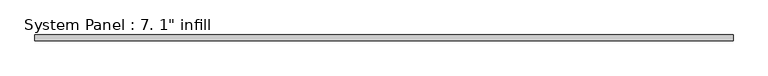
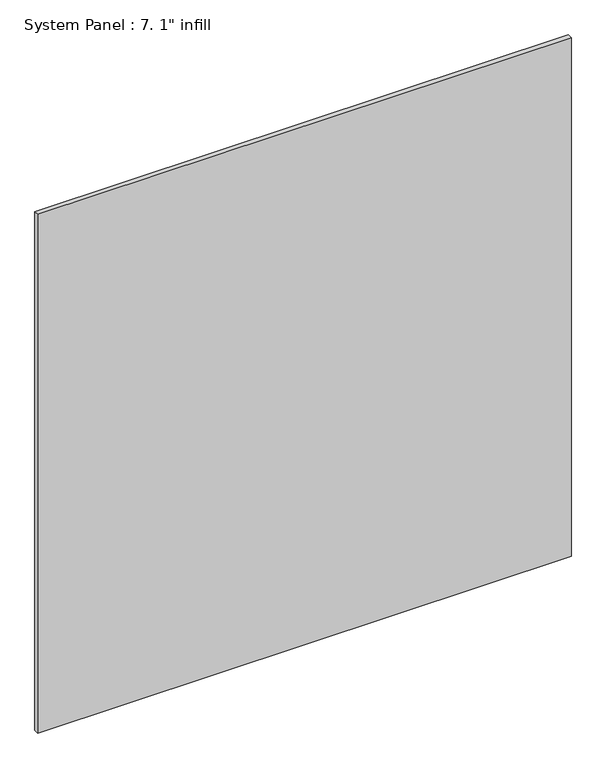
"""IFC4 building model written with IfcOpenShell, lengths in millimetres: plate geometry."""

from ifc_helpers import new_model, si_unit, origin, origin_with_axes, place, context, project, spatial, polyline, outline, extrude, source, transform, mapped, element, save


def plate_9707ac86(model_context):
    return source(origin(), model_context, "Body", "SweptSolid", [
        extrude(outline(polyline([(1483.8521893, -12.7), (-1483.8521893, -12.7), (-1483.8521893, 12.7), (1483.8521893, 12.7), (1483.8521893, -12.7)])), origin_with_axes(), (0.0, 0.0, 1.0), 3048.0),
    ])


if __name__ == "__main__":
    model = new_model("IFC4")
    model_context = context("Model", 3, world=origin())
    ifc_project = project(units=[si_unit("LENGTHUNIT", "METRE", prefix="MILLI")], contexts=[model_context])
    site = spatial("IfcSite", under=ifc_project)
    building = spatial("IfcBuilding", under=site)
    placement = place(None, origin())
    plate_shape = plate_9707ac86(model_context)
    element("IfcPlate", 1, ObjectType="System Panel : 7. 1\" infill", at=placement, inside=building, context=model_context, shape_type="MappedRepresentation", body=[
        mapped(plate_shape, transform((0.0, 0.0, 0.0), x_axis=(1.0, 0.0, 0.0), y_axis=(0.0, 1.0, 0.0), z_axis=(0.0, 0.0, 1.0))),
    ])
    save(model, "model.ifc")
